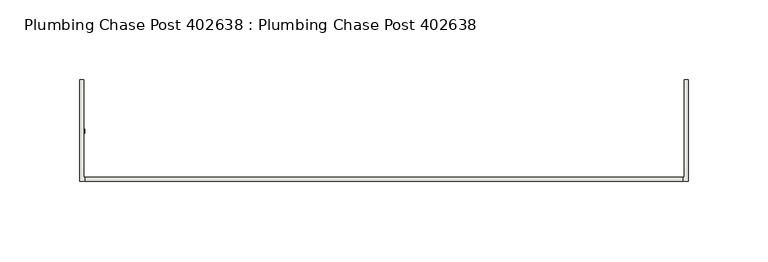
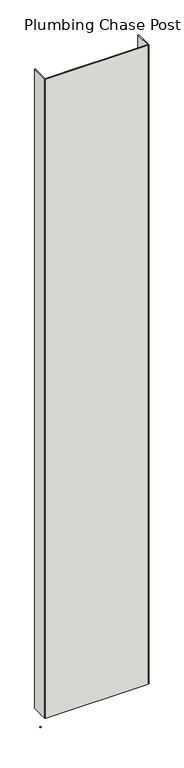
"""IFC4 building model written with IfcOpenShell, lengths in millimetres: wall geometry, Plumbing Chase Post 402638 : Plumbing Chase Post 402638."""

from ifc_helpers import new_model, si_unit, frame, origin, place, context, project, spatial, polyline, outline, extrude, source, transform, mapped, element, save


def plumbing_chase_post_402638_plumbing_chase_post_402638_9daf1162(model_context):
    return source(origin(), model_context, "Body", "SweptSolid", [
        extrude(outline(polyline([(69067.6614072, -39414.4636398), (69070.2014072, -39414.4636398), (69070.2014072, -39417.0036398), (69067.6614072, -39417.0036398), (69067.6614072, -39414.4636398)])), frame((0.0, 0.0, 4419.6), z_axis=(0.0, 0.0, 1.0), x_axis=(1.0, 0.0, 0.0)), (0.0, 0.0, 1.0), 2.54),
        extrude(outline(polyline([(69445.9626572, -39447.750289), (69070.3452728, -39447.750289), (69070.3452728, -39445.083797), (69445.9626572, -39445.083797), (69445.9626572, -39447.750289)])), frame((0.0, 0.0, 4474.8958), z_axis=(0.0, 0.0, 1.0), x_axis=(1.0, 0.0, 0.0)), (0.0, 0.0, 1.0), 2481.1482254),
        extrude(outline(polyline([(69445.9626572, -39447.750289), (69070.3452728, -39447.750289), (69070.3452728, -39445.083797), (69445.9626572, -39445.083797), (69445.9626572, -39447.750289)])), frame((0.0, 0.0, 4474.8958), z_axis=(0.0, 0.0, 1.0), x_axis=(1.0, 0.0, 0.0)), (0.0, 0.0, 1.0), 2481.1482254),
        extrude(outline(polyline([(69449.4167016, -39447.750289), (69316.0667016, -39447.750289), (69316.0667016, -39445.083797), (69446.7501842, -39445.083797), (69446.7501842, -39383.7418064), (69449.4167016, -39383.7418064), (69449.4167016, -39447.750289)])), frame((0.0, 0.0, 4474.8958), z_axis=(0.0, 0.0, 1.0), x_axis=(1.0, 0.0, 0.0)), (0.0, 0.0, 1.0), 2481.1482254),
        extrude(outline(polyline([(69449.4167016, -39447.750289), (69316.0667016, -39447.750289), (69316.0667016, -39445.083797), (69446.7501842, -39445.083797), (69446.7501842, -39383.7418064), (69449.4167016, -39383.7418064), (69449.4167016, -39447.750289)])), frame((0.0, 0.0, 4474.8958), z_axis=(0.0, 0.0, 1.0), x_axis=(1.0, 0.0, 0.0)), (0.0, 0.0, 1.0), 2481.1482254),
        extrude(outline(polyline([(69200.2660188, -39445.083797), (69200.2660188, -39447.750289), (69066.9160188, -39447.750289), (69066.9160188, -39383.7418064), (69069.5825108, -39383.7418064), (69069.5577204, -39445.083797), (69200.2660188, -39445.083797)])), frame((0.0, 0.0, 4474.8958), z_axis=(0.0, 0.0, 1.0), x_axis=(1.0, 0.0, 0.0)), (0.0, 0.0, 1.0), 2481.1482254),
        extrude(outline(polyline([(69200.2660188, -39445.083797), (69200.2660188, -39447.750289), (69066.9160188, -39447.750289), (69066.9160188, -39383.7418064), (69069.5825108, -39383.7418064), (69069.5577204, -39445.083797), (69200.2660188, -39445.083797)])), frame((0.0, 0.0, 4474.8958), z_axis=(0.0, 0.0, 1.0), x_axis=(1.0, 0.0, 0.0)), (0.0, 0.0, 1.0), 2481.1482254),
    ])


if __name__ == "__main__":
    model = new_model("IFC4")
    model_context = context("Model", 3, world=origin())
    ifc_project = project(units=[si_unit("LENGTHUNIT", "METRE", prefix="MILLI")], contexts=[model_context])
    site = spatial("IfcSite", under=ifc_project)
    building = spatial("IfcBuilding", under=site)
    placement = place(None, origin())
    plumbing_chase_post_402638_plumbing_chase_post_402638_shape = plumbing_chase_post_402638_plumbing_chase_post_402638_9daf1162(model_context)
    element("IfcWall", 1, ObjectType="Plumbing Chase Post 402638 : Plumbing Chase Post 402638", at=placement, inside=building, context=model_context, shape_type="MappedRepresentation", body=[
        mapped(plumbing_chase_post_402638_plumbing_chase_post_402638_shape, transform((0.0, 0.0, 0.0), x_axis=(1.0, 0.0, 0.0), y_axis=(0.0, 1.0, 0.0), z_axis=(0.0, 0.0, 1.0))),
    ])
    save(model, "model.ifc")
